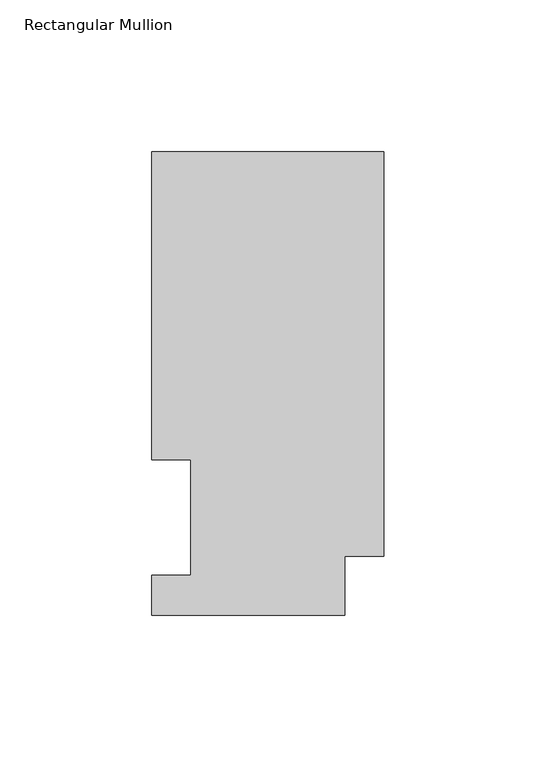
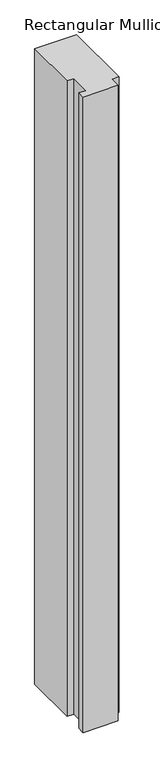
"""IFC4 building model written with IfcOpenShell, lengths in millimetres: member geometry, Rectangular Mullion."""

from ifc_helpers import new_model, si_unit, frame, origin, place, context, project, spatial, polyline, outline, extrude, source, transform, mapped, element, save


def rectangular_mullion_9ed28af5(model_context):
    return source(origin(), model_context, "Body", "SweptSolid", [
        extrude(outline(polyline([(-76.2, 152.4896937), (0.0, 152.4896937), (0.0, 19.5460937), (-12.7, 19.5460937), (-12.7, 0.0134938), (-76.2, 0.0134938), (-76.2, 13.1960938), (-63.5, 13.1960938), (-63.5, 51.2960937), (-76.2, 51.2960938), (-76.2, 152.4896937)])), frame((0.0, 0.0, -1219.2), z_axis=(0.0, 0.0, 1.0), x_axis=(1.0, 0.0, 0.0)), (0.0, 0.0, 1.0), 1219.2),
    ])


if __name__ == "__main__":
    model = new_model("IFC4")
    model_context = context("Model", 3, world=origin())
    ifc_project = project(units=[si_unit("LENGTHUNIT", "METRE", prefix="MILLI")], contexts=[model_context])
    site = spatial("IfcSite", under=ifc_project)
    building = spatial("IfcBuilding", under=site)
    placement = place(None, origin())
    rectangular_mullion_shape = rectangular_mullion_9ed28af5(model_context)
    element("IfcMember", 1, ObjectType="Rectangular Mullion", at=placement, inside=building, context=model_context, shape_type="MappedRepresentation", body=[
        mapped(rectangular_mullion_shape, transform((0.0, 0.0, 0.0), x_axis=(1.0, 0.0, 0.0), y_axis=(0.0, 1.0, 0.0), z_axis=(0.0, 0.0, 1.0))),
    ])
    save(model, "model.ifc")
